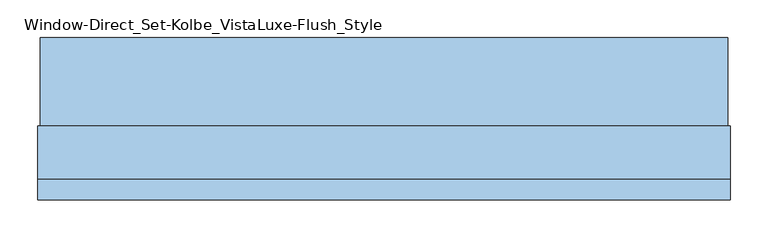
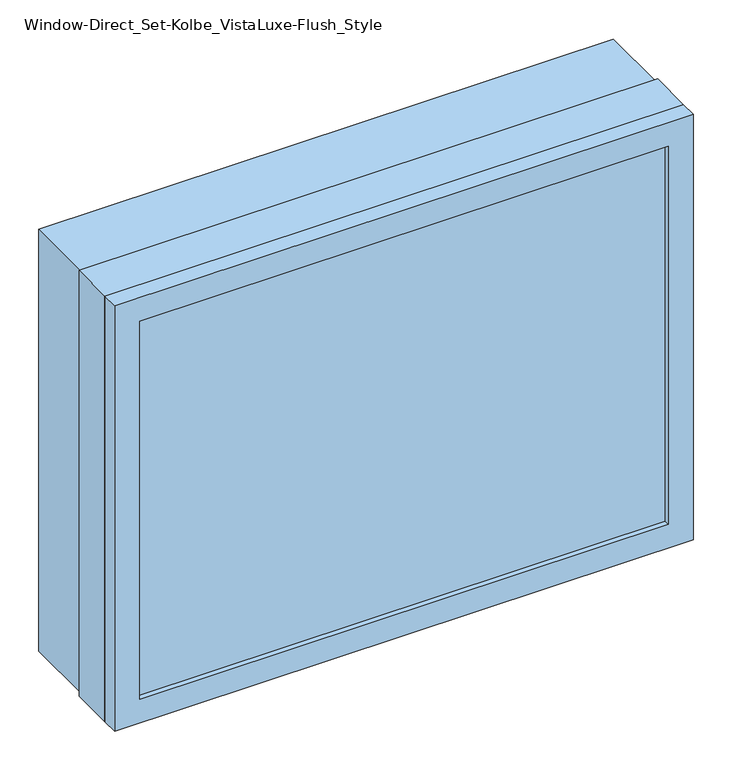
"""IFC4 building model written with IfcOpenShell, lengths in millimetres: window geometry, Window-Direct_Set-Kolbe_VistaLuxe-Flush_Style."""

import ifcopenshell
import ifcopenshell.guid

model = None  # the IFC model being written
_history = None  # IfcOwnerHistory: only IFC2X3 demands one
_inside = {}  # id of a spatial element -> (the spatial element, [elements in it])
_under = {}  # id of a project, library or spatial element -> (it, [spatial elements below it])
_declared = {}  # id of a project -> (the project, [libraries it declares])
_typed = {}  # id of a type object -> (the type object, [elements of that type])
_made_of = {}  # id of a material, layer set ... -> (it, [elements and type objects made of it])


def new_model(schema):
    """Start an empty IFC model of exactly this schema.

    Asked for "IFC4X3", IfcOpenShell would pick the latest addendum, in which some entities
    have other attributes; the version numbers below select the first issue.
    IFC2X3 requires an IfcOwnerHistory on every rooted entity: one is made here for all.
    """
    global model, _history
    if schema == "IFC4X3":
        model = ifcopenshell.file(schema_version=(4, 3, 0, 0))
    else:
        model = ifcopenshell.file(schema=schema)
    _inside.clear()
    _under.clear()
    _declared.clear()
    _typed.clear()
    _made_of.clear()
    _history = None
    if model.schema == "IFC2X3":
        org = make("IfcOrganization", Name="unknown")
        user = make(
            "IfcPersonAndOrganization",
            ThePerson=make("IfcPerson", FamilyName="unknown"),
            TheOrganization=org,
        )
        app = make(
            "IfcApplication",
            ApplicationDeveloper=org,
            Version="unknown",
            ApplicationFullName="unknown",
            ApplicationIdentifier="unknown",
        )
        _history = make(
            "IfcOwnerHistory",
            OwningUser=user,
            OwningApplication=app,
            ChangeAction="ADDED",
            CreationDate=0,
        )
    return model


def make(cls, **values):
    """One entity of the class cls with the attributes given. An attribute that is None is left unset."""
    return model.create_entity(
        cls, **{name: value for name, value in values.items() if value is not None}
    )


def rooted(cls, **values):
    """An entity with a GlobalId (a new one), such as an element, a storey or a relation."""
    return make(cls, GlobalId=ifcopenshell.guid.new(), OwnerHistory=_history, **values)


def si_unit(unit_type, name, prefix=None):
    """IfcSIUnit, for example si_unit("LENGTHUNIT", "METRE", prefix="MILLI")."""
    return make("IfcSIUnit", UnitType=unit_type, Prefix=prefix, Name=name)


def assignment(units):
    """IfcUnitAssignment: the units of a project."""
    return None if units is None else make("IfcUnitAssignment", Units=units)


def point(xyz):
    """IfcCartesianPoint."""
    return None if xyz is None else make("IfcCartesianPoint", Coordinates=xyz)


def direction(xyz):
    """IfcDirection."""
    return None if xyz is None else make("IfcDirection", DirectionRatios=xyz)


def frame(location, z_axis=None, x_axis=None):
    """IfcAxis2Placement3D, a coordinate frame: its origin and axes. An axis left out is left unset."""
    return make(
        "IfcAxis2Placement3D",
        Location=point(location),
        Axis=direction(z_axis),
        RefDirection=direction(x_axis),
    )


def origin():
    """The frame at (0, 0, 0) with its axes left unset."""
    return frame((0.0, 0.0, 0.0))


def place(relative_to, where):
    """IfcLocalPlacement: puts the frame where relative to a parent placement (None: the world)."""
    return make(
        "IfcLocalPlacement", PlacementRelTo=relative_to, RelativePlacement=where
    )


def context(
    kind, dimensions, precision=None, world=None, true_north=None, identifier=None
):
    """IfcGeometricRepresentationContext, for example the 3D "Model" context."""
    return make(
        "IfcGeometricRepresentationContext",
        ContextIdentifier=identifier,
        ContextType=kind,
        CoordinateSpaceDimension=dimensions,
        Precision=precision,
        WorldCoordinateSystem=world,
        TrueNorth=true_north,
    )


def project(units=None, contexts=None):
    """IfcProject with its units and contexts."""
    return rooted(
        "IfcProject",
        Name="project",
        RepresentationContexts=contexts,
        UnitsInContext=assignment(units),
    )


def spatial(cls, under=None, at=None, **own):
    """A site, building, storey or space (cls), placed at a placement, below another one or the project."""
    s = rooted(cls, ObjectPlacement=at, **own)
    if under is not None:
        _under.setdefault(under.id(), (under, []))[1].append(s)
    return s


def polyline(points):
    """IfcPolyline through the points."""
    return make("IfcPolyline", Points=[point(p) for p in points])


def outline(outer, holes=None, kind="AREA"):
    """IfcArbitraryClosedProfileDef: a profile drawn as a closed curve; with holes, ...WithVoids."""
    if holes is None:
        return make("IfcArbitraryClosedProfileDef", ProfileType=kind, OuterCurve=outer)
    return make(
        "IfcArbitraryProfileDefWithVoids",
        ProfileType=kind,
        OuterCurve=outer,
        InnerCurves=holes,
    )


def extrude(swept, where, along, depth):
    """IfcExtrudedAreaSolid: the profile swept, set in the frame where, extruded along a direction by depth."""
    return make(
        "IfcExtrudedAreaSolid",
        SweptArea=swept,
        Position=where,
        ExtrudedDirection=direction(along),
        Depth=depth,
    )


def faces_of(points, faces, orient=None, outer=None):
    """IfcFace entities. A face is a list of loops; a loop is a list of indices into points, from 0.

    orient and outer hold one flag for each loop. By default every Orientation is true, the
    first loop of a face is its IfcFaceOuterBound and the others are IfcFaceBound.
    """
    made = []
    for i, loops in enumerate(faces):
        bounds = []
        for j, loop in enumerate(loops):
            is_outer = j == 0 if outer is None else outer[i][j]
            bounds.append(
                make(
                    "IfcFaceOuterBound" if is_outer else "IfcFaceBound",
                    Bound=make("IfcPolyLoop", Polygon=[points[k] for k in loop]),
                    Orientation=True if orient is None else orient[i][j],
                )
            )
        made.append(make("IfcFace", Bounds=bounds))
    return made


def faceted_brep(points, faces, orient=None, outer=None, voids=None):
    """IfcFacetedBrep: a solid bounded by flat faces; with voids (closed shells), ...WithVoids."""
    shared = [point(p) for p in points]
    hull = make("IfcClosedShell", CfsFaces=faces_of(shared, faces, orient, outer))
    if voids is None:
        return make("IfcFacetedBrep", Outer=hull)
    return make(
        "IfcFacetedBrepWithVoids",
        Outer=hull,
        Voids=[
            make(cls, CfsFaces=faces_of(shared, fs, o, b)) for cls, fs, o, b in voids
        ],
    )


def shape(context_of_items, identifier, shape_type, items):
    """IfcShapeRepresentation: the items that make up one representation, for example the "Body"."""
    return make(
        "IfcShapeRepresentation",
        ContextOfItems=context_of_items,
        RepresentationIdentifier=identifier,
        RepresentationType=shape_type,
        Items=items,
    )


def source(mapping_origin, context_of_items, identifier, shape_type, items):
    """IfcRepresentationMap: a shape defined once, which mapped items show again and again."""
    return make(
        "IfcRepresentationMap",
        MappingOrigin=mapping_origin,
        MappedRepresentation=shape(context_of_items, identifier, shape_type, items),
    )


def transform(
    local_origin,
    x_axis=None,
    y_axis=None,
    z_axis=None,
    scale=None,
    scale2=None,
    scale3=None,
    uniform=True,
):
    """IfcCartesianTransformationOperator3D, or its non-uniform kind. x_axis, y_axis, z_axis: its Axis1, 2, 3."""
    if uniform:
        return make(
            "IfcCartesianTransformationOperator3D",
            Axis1=direction(x_axis),
            Axis2=direction(y_axis),
            LocalOrigin=point(local_origin),
            Scale=scale,
            Axis3=direction(z_axis),
        )
    return make(
        "IfcCartesianTransformationOperator3DnonUniform",
        Axis1=direction(x_axis),
        Axis2=direction(y_axis),
        LocalOrigin=point(local_origin),
        Scale=scale,
        Axis3=direction(z_axis),
        Scale2=scale2,
        Scale3=scale3,
    )


def mapped(mapping_source, mapping_target):
    """IfcMappedItem: shows the shape of a source again, moved by a transform."""
    return make(
        "IfcMappedItem", MappingSource=mapping_source, MappingTarget=mapping_target
    )


def made_of(thing, what):
    """Note that an element or type object is made of a material, layer set ...; save() writes the relation."""
    if what is not None:
        _made_of.setdefault(what.id(), (what, []))[1].append(thing)
    return thing


def element(
    cls,
    number,
    at=None,
    inside=None,
    cuts=None,
    type_object=None,
    material=None,
    context=None,
    identifier="Body",
    shape_type=None,
    held_by="IfcProductDefinitionShape",
    body=None,
    shapes=None,
    **own,
):
    """One element of the class cls, such as IfcWall. Its Tag is "e" and its number.

    at: its placement. inside: the storey or other place that contains it. cuts: it is an
    opening in that element (IfcRelVoidsElement). A single representation is given by context,
    identifier, shape_type and body (its items); several are given by shapes. held_by: the class
    of the entity that holds the representations. save() writes the other relations.
    """
    e = rooted(cls, Tag="e%d" % number, ObjectPlacement=at, **own)
    if body is not None:
        shapes = [shape(context, identifier, shape_type, body)]
    if shapes is not None:
        e.Representation = make(held_by, Representations=shapes)
    if inside is not None:
        _inside.setdefault(inside.id(), (inside, []))[1].append(e)
    if cuts is not None:
        rooted(
            "IfcRelVoidsElement", RelatingBuildingElement=cuts, RelatedOpeningElement=e
        )
    if type_object is not None:
        _typed.setdefault(type_object.id(), (type_object, []))[1].append(e)
    return made_of(e, material)


def aggregate(whole, parts):
    """IfcRelAggregates: a whole, such as a stair, and the parts it consists of."""
    return rooted("IfcRelAggregates", RelatingObject=whole, RelatedObjects=parts)


def save(model, path):
    """Write the relations noted so far, then the file.

    IfcRelAggregates (storeys below a building ...), IfcRelContainedInSpatialStructure (elements
    in a storey), IfcRelDefinesByType, IfcRelAssociatesMaterial and IfcRelDeclares: one each for
    every whole, place, type object, material and project.
    """
    for whole, parts in _under.values():
        aggregate(whole, parts)
    for where, things in _inside.values():
        rooted(
            "IfcRelContainedInSpatialStructure",
            RelatedElements=things,
            RelatingStructure=where,
        )
    for kind, things in _typed.values():
        rooted("IfcRelDefinesByType", RelatedObjects=things, RelatingType=kind)
    for what, things in _made_of.values():
        rooted("IfcRelAssociatesMaterial", RelatedObjects=things, RelatingMaterial=what)
    for by, libraries in _declared.values():
        rooted("IfcRelDeclares", RelatingContext=by, RelatedDefinitions=libraries)
    model.write(path)


def window_direct_set_kolbe_vistaluxe_flush_style_a1c88f38(model_context):
    return source(origin(), model_context, "Body", "SolidModel", [
        extrude(outline(polyline([(1622.425, 447.8496242), (1622.425, -460.2003758), (917.575, -460.2003758), (917.575, 447.8496242), (1622.425, 447.8496242)]), holes=[polyline([(936.625, 428.7996242), (936.625, -441.1503758), (1603.375, -441.1503758), (1603.375, 428.7996242), (936.625, 428.7996242)])]), frame((0.0, -22.9997, 0.0), z_axis=(0.0, 1.0, 0.0), x_axis=(0.0, 0.0, 1.0)), (0.0, 0.0, 1.0), 116.6622),
        extrude(outline(polyline([(936.625, 428.7996242), (1603.375, 428.7996242), (1603.375, -441.1503758), (936.625, -441.1503758), (936.625, 428.7996242)]), holes=[polyline([(954.0875, -423.6878758), (1585.9125, -423.6878758), (1585.9125, 411.3371242), (954.0875, 411.3371242), (954.0875, -423.6878758)])]), frame((0.0, -89.63025, 0.0), z_axis=(0.0, 1.0, 0.0), x_axis=(0.0, 0.0, 1.0)), (0.0, 0.0, 1.0), 69.8246),
        faceted_brep([(451.0246242, -120.5865, 1625.6), (451.0246242, -93.6625, 1625.6), (-463.3753758, -93.6625, 1625.6), (-463.3753758, -120.5865, 1625.6), (411.3373659, -111.85525, 1585.9127418), (411.3373659, -120.5865, 1585.9127418), (-423.6881176, -120.5865, 1585.9127418), (-423.6881176, -111.85525, 1585.9127418), (428.7996242, -93.6625, 1603.375), (428.7996242, -111.85525, 1603.375), (-441.1503758, -111.85525, 1603.375), (-441.1503758, -93.6625, 1603.375), (-463.3753758, -93.6625, 914.4), (-463.3753758, -120.5865, 914.4), (-423.6881176, -120.5865, 954.0872582), (-423.6881176, -111.85525, 954.0872582), (-441.1503758, -111.85525, 936.625), (-441.1503758, -93.6625, 936.625), (451.0246242, -93.6625, 914.4), (451.0246242, -120.5865, 914.4), (411.3373659, -120.5865, 954.0872582), (411.3373659, -111.85525, 954.0872582), (428.7996242, -111.85525, 936.625), (428.7996242, -93.6625, 936.625)], [[[0, 1, 2, 3]], [[4, 5, 6, 7]], [[8, 9, 10, 11]], [[3, 2, 12, 13]], [[7, 6, 14, 15]], [[11, 10, 16, 17]], [[13, 12, 18, 19]], [[15, 14, 20, 21]], [[17, 16, 22, 23]], [[19, 18, 1, 0]], [[3, 13, 19, 0], [5, 20, 14, 6]], [[21, 20, 5, 4]], [[9, 22, 16, 10], [7, 15, 21, 4]], [[23, 22, 9, 8]], [[1, 18, 12, 2], [11, 17, 23, 8]]]),
        extrude(outline(polyline([(914.4, 451.0246242), (1625.6, 451.0246242), (1625.6, -463.3753758), (914.4, -463.3753758), (914.4, 451.0246242)]), holes=[polyline([(936.625, -441.1503758), (1603.375, -441.1503758), (1603.375, 428.7996242), (936.625, 428.7996242), (936.625, -441.1503758)])]), frame((0.0, -93.6625, 0.0), z_axis=(0.0, 1.0, 0.0), x_axis=(0.0, 0.0, 1.0)), (0.0, 0.0, 1.0), 70.6628),
        extrude(outline(polyline([(426.4183742, -92.80525), (-438.7691258, -92.80525), (-438.7691258, -89.63025), (426.4183742, -89.63025), (426.4183742, -92.80525)])), frame((0.0, 0.0, 946.15), z_axis=(0.0, 0.0, 1.0), x_axis=(1.0, 0.0, 0.0)), (0.0, 0.0, 1.0), 647.7),
        extrude(outline(polyline([(426.4183742, -108.68025), (426.4183742, -111.85525), (-438.7691258, -111.85525), (-438.7691258, -108.68025), (426.4183742, -108.68025)])), frame((0.0, 0.0, 946.15), z_axis=(0.0, 0.0, 1.0), x_axis=(1.0, 0.0, 0.0)), (0.0, 0.0, 1.0), 647.7),
    ])


if __name__ == "__main__":
    model = new_model("IFC4")
    model_context = context("Model", 3, world=origin())
    ifc_project = project(units=[si_unit("LENGTHUNIT", "METRE", prefix="MILLI")], contexts=[model_context])
    site = spatial("IfcSite", under=ifc_project)
    building = spatial("IfcBuilding", under=site)
    placement = place(None, origin())
    window_direct_set_kolbe_vistaluxe_flush_style_shape = window_direct_set_kolbe_vistaluxe_flush_style_a1c88f38(model_context)
    element("IfcWindow", 1, ObjectType="Window-Direct_Set-Kolbe_VistaLuxe-Flush_Style", at=placement, inside=building, context=model_context, shape_type="MappedRepresentation", body=[
        mapped(window_direct_set_kolbe_vistaluxe_flush_style_shape, transform((0.0, 0.0, 0.0), x_axis=(1.0, 0.0, 0.0), y_axis=(0.0, 1.0, 0.0), z_axis=(0.0, 0.0, 1.0))),
    ])
    save(model, "model.ifc")
